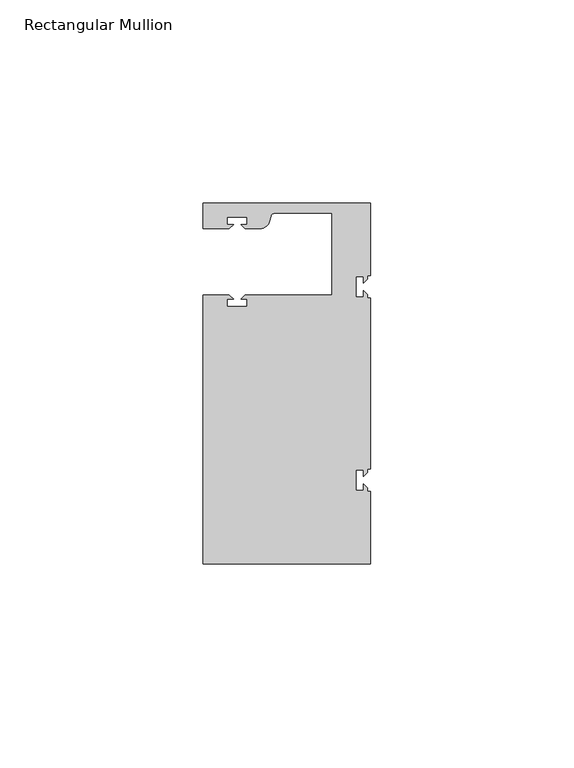
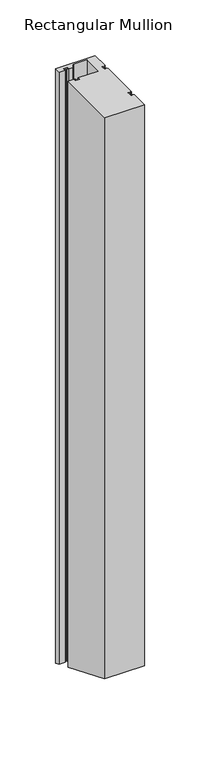
"""IFC4 building model written with IfcOpenShell, lengths in millimetres: member geometry, Rectangular Mullion."""

from ifc_helpers import new_model, si_unit, frame, origin, place, context, project, spatial, polyline, circle_curve, ellipse_curve, source, transform, mapped, element, save
from ifc_brep_helpers import plane_surface, cylinder_surface, revolved_surface, advanced_brep


def rectangular_mullion_aad78f4a(model_context):
    return source(origin(), model_context, "Body", "AdvancedBrep", [
        advanced_brep(
        [(0.0, 44.45, 0.0), (-41.2749977, 44.45, 0.0), (-41.2749977, 38.1499897, 0.0), (-34.8007531, 38.1499897, 0.0), (-33.8007405, 39.1500023, 0.0), (-35.3749778, 39.1500023, 0.0), (-35.3749778, 40.9498819, 0.0), (-30.3749831, 40.9498819, 0.0), (-30.3749831, 39.1500023, 0.0), (-31.949256, 39.1500023, 0.0), (-30.9492503, 38.1499966, 0.0), (-27.2637853, 38.1499966, 0.0), (-24.8489707, 40.002949, 0.0), (-24.5258588, 41.2088192, 0.0), (-23.5599329, 41.9500001, 0.0), (-9.525, 41.95, 0.0), (-9.525, 21.7499959, 0.0), (-30.9492434, 21.7499959, 0.0), (-31.949256, 20.7499834, 0.0), (-30.3750186, 20.7499834, 0.0), (-30.3750186, 18.949936, 0.0), (-35.3750134, 18.949936, 0.0), (-35.3750134, 20.7499834, 0.0), (-33.8007405, 20.7499834, 0.0), (-34.8007562, 21.749999, 0.0), (-41.275, 21.749999, 0.0), (-41.275, -44.45, 0.0), (0.0, -44.45, 0.0), (0.0, -26.5319902, 0.0), (-0.79375, -26.5319902, 0.0), (-0.79375, -25.7382757, 0.0), (-1.7937657, -24.73826, 0.0), (-1.7937657, -26.3124974, 0.0), (-3.5938131, -26.3124974, 0.0), (-3.5938131, -21.3125026, 0.0), (-1.7937657, -21.3125026, 0.0), (-1.7937657, -22.8867755, 0.0), (-0.79375, -21.8867598, 0.0), (-0.79375, -21.0930098, 0.0), (0.0, -21.0930098, 0.0), (0.0, 21.0930098, 0.0), (-0.79375, 21.0930098, 0.0), (-0.79375, 21.8867243, 0.0), (-1.7937657, 22.88674, 0.0), (-1.7937657, 21.3125026, 0.0), (-3.5938131, 21.3125026, 0.0), (-3.5938131, 26.3124974, 0.0), (-1.7937657, 26.3124974, 0.0), (-1.7937657, 24.7382245, 0.0), (-0.79375, 25.7382402, 0.0), (-0.79375, 26.5319902, 0.0), (0.0, 26.5319902, 0.0), (0.0, 44.45, -653.4117928), (-41.2749977, 44.45, -653.4117928), (-41.2749977, 38.1499897, -650.8022431), (-34.8007531, 38.1499897, -650.8022431), (-33.8007405, 39.1500023, -651.2164619), (-35.3749778, 39.1500023, -651.2164619), (-35.3749778, 40.9498819, -651.9619965), (-30.3749831, 40.9498819, -651.9619965), (-30.3749831, 39.1500023, -651.2164619), (-31.949256, 39.1500023, -651.2164619), (-30.9492503, 38.1499966, -650.802246), (-27.2637853, 38.1499966, -650.802246), (-24.8489707, 40.002949, -651.569764), (-24.5258588, 41.2088192, -652.0692518), (-23.5599329, 41.9500001, -652.376259), (-9.525, 41.95, -652.3762589), (-9.525, 21.7499959, -644.0091433), (-30.9492434, 21.7499959, -644.0091433), (-31.949256, 20.7499834, -643.5949245), (-30.3750186, 20.7499834, -643.5949245), (-30.3750186, 18.949936, -642.8493205), (-35.3750134, 18.949936, -642.8493205), (-35.3750134, 20.7499834, -643.5949245), (-33.8007405, 20.7499834, -643.5949245), (-34.8007562, 21.749999, -644.0091446), (-41.275, 21.749999, -644.0091446), (-41.275, -44.45, -616.5882072), (0.0, -44.45, -616.5882072), (0.0, -26.5319902, -624.0100898), (-0.79375, -26.5319902, -624.0100898), (-0.79375, -25.7382757, -624.3388571), (-1.7937657, -24.73826, -624.7530772), (-1.7937657, -26.3124974, -624.1010067), (-3.5938131, -26.3124974, -624.1010067), (-3.5938131, -21.3125026, -626.1720724), (-1.7937657, -21.3125026, -626.1720724), (-1.7937657, -22.8867755, -625.5199872), (-0.79375, -21.8867598, -625.9342072), (-0.79375, -21.0930098, -626.2629893), (0.0, -21.0930098, -626.2629893), (0.0, 21.0930098, -643.7370107), (-0.79375, 21.0930098, -643.7370107), (-0.79375, 21.8867243, -644.065778), (-1.7937657, 22.88674, -644.4799981), (-1.7937657, 21.3125026, -643.8279276), (-3.5938131, 21.3125026, -643.8279276), (-3.5938131, 26.3124974, -645.8989933), (-1.7937657, 26.3124974, -645.8989933), (-1.7937657, 24.7382245, -645.2469081), (-0.79375, 25.7382402, -645.6611282), (-0.79375, 26.5319902, -645.9899102), (0.0, 26.5319902, -645.9899102)],
        [
            (0, 1),
            (1, 2),
            (2, 3),
            (3, 4),
            (4, 5),
            (5, 6),
            (6, 7),
            (7, 8),
            (8, 9),
            (9, 10),
            (10, 11),
            (11, 12, circle_curve(frame((-27.2637853, 40.6499966, 0.0), z_axis=(0.0, 0.0, 1.0), x_axis=(0.0, -1.0, 0.0)), 2.5)),
            (12, 13),
            (13, 14, circle_curve(frame((-23.5599329, 40.9500001, 0.0), z_axis=(0.0, 0.0, -1.0), x_axis=(0.0, -1.0, 0.0)), 1.0)),
            (14, 15),
            (15, 16),
            (16, 17),
            (17, 18),
            (18, 19),
            (19, 20),
            (20, 21),
            (21, 22),
            (22, 23),
            (23, 24),
            (24, 25),
            (25, 26),
            (26, 27),
            (27, 28),
            (28, 29),
            (29, 30),
            (30, 31),
            (31, 32),
            (32, 33),
            (33, 34),
            (34, 35),
            (35, 36),
            (36, 37),
            (37, 38),
            (38, 39),
            (39, 40),
            (40, 41),
            (41, 42),
            (42, 43),
            (43, 44),
            (44, 45),
            (45, 46),
            (46, 47),
            (47, 48),
            (48, 49),
            (49, 50),
            (50, 51),
            (51, 0),
            (0, 52),
            (52, 53),
            (53, 1),
            (53, 54),
            (54, 2),
            (54, 55),
            (55, 3),
            (55, 56),
            (56, 4),
            (56, 57),
            (57, 5),
            (57, 58),
            (58, 6),
            (58, 59),
            (59, 7),
            (59, 60),
            (60, 8),
            (60, 61),
            (61, 9),
            (61, 62),
            (62, 10),
            (62, 63),
            (63, 11),
            (63, 64, ellipse_curve(frame((-27.2637853, 40.6499966, -651.8377799), z_axis=(0.0, 0.38268343236509095, 0.9238795325112864), x_axis=(0.0, -0.9238795325112866, 0.3826834323650903)), 2.7059805, 2.5)),
            (64, 12),
            (64, 65),
            (65, 13),
            (65, 66, ellipse_curve(frame((-23.5599329, 40.9500001, -651.9620454), z_axis=(0.0, -0.38268343236509095, -0.9238795325112864), x_axis=(0.0, 0.9238795325112866, -0.3826834323650903)), 1.0823922, 1.0)),
            (66, 14),
            (66, 67),
            (67, 15),
            (67, 68),
            (68, 16),
            (68, 69),
            (69, 17),
            (69, 70),
            (70, 18),
            (70, 71),
            (71, 19),
            (71, 72),
            (72, 20),
            (72, 73),
            (73, 21),
            (73, 74),
            (74, 22),
            (74, 75),
            (75, 23),
            (75, 76),
            (76, 24),
            (76, 77),
            (77, 25),
            (77, 78),
            (78, 26),
            (78, 79),
            (79, 27),
            (79, 80),
            (80, 28),
            (80, 81),
            (81, 29),
            (81, 82),
            (82, 30),
            (82, 83),
            (83, 31),
            (83, 84),
            (84, 32),
            (84, 85),
            (85, 33),
            (85, 86),
            (86, 34),
            (86, 87),
            (87, 35),
            (87, 88),
            (88, 36),
            (88, 89),
            (89, 37),
            (89, 90),
            (90, 38),
            (90, 91),
            (91, 39),
            (91, 92),
            (92, 40),
            (92, 93),
            (93, 41),
            (93, 94),
            (94, 42),
            (94, 95),
            (95, 43),
            (95, 96),
            (96, 44),
            (96, 97),
            (97, 45),
            (97, 98),
            (98, 46),
            (98, 99),
            (99, 47),
            (99, 100),
            (100, 48),
            (100, 101),
            (101, 49),
            (101, 102),
            (102, 50),
            (102, 103),
            (103, 51),
            (103, 52),
        ],
        [
            plane_surface(frame((0.0, -60.6582898, 0.0), z_axis=(0.0, 0.0, 1.0), x_axis=(-1.0, 0.0, 0.0))),
            plane_surface(frame((0.0, 44.45, 0.0), z_axis=(0.0, 1.0, 0.0), x_axis=(0.0, 0.0, -1.0))),
            plane_surface(frame((-41.2749977, 44.45, 0.0), z_axis=(-1.0, 0.0, 0.0), x_axis=(0.0, 0.0, -1.0))),
            plane_surface(frame((-41.2749977, 38.1499897, 0.0), z_axis=(0.0, -1.0, 0.0), x_axis=(0.0, 0.0, -1.0))),
            plane_surface(frame((-34.8007531, 38.1499897, 0.0), z_axis=(0.7071067811865492, -0.7071067811865459, 0.0), x_axis=(0.0, 0.0, -1.0))),
            plane_surface(frame((-33.8007405, 39.1500023, 0.0), z_axis=(0.0, 1.0, 0.0), x_axis=(0.0, 0.0, -1.0))),
            plane_surface(frame((-35.3749778, 39.1500023, 0.0), z_axis=(1.0, 0.0, 0.0), x_axis=(0.0, 0.0, -1.0))),
            plane_surface(frame((-35.3749778, 40.9498819, 0.0), z_axis=(0.0, -1.0, 0.0), x_axis=(0.0, 0.0, -1.0))),
            plane_surface(frame((-30.3749831, 40.9498819, 0.0), z_axis=(-1.0, 0.0, 0.0), x_axis=(0.0, 0.0, -1.0))),
            plane_surface(frame((-30.3749831, 39.1500023, 0.0), z_axis=(0.0, 1.0, 0.0), x_axis=(0.0, 0.0, -1.0))),
            plane_surface(frame((-31.949256, 39.1500023, 0.0), z_axis=(-0.7071067811865469, -0.7071067811865481, 0.0), x_axis=(0.0, 0.0, -1.0))),
            plane_surface(frame((-30.9492503, 38.1499966, 0.0), z_axis=(0.0, -1.0, 0.0), x_axis=(0.0, 0.0, -1.0))),
            cylinder_surface(frame((-27.2637853, 40.6499966, 0.0), z_axis=(0.0, 0.0, 1.0), x_axis=(0.0, -1.0, 0.0)), 2.5),
            plane_surface(frame((-24.8489707, 40.002949, 0.0), z_axis=(0.965925826289163, -0.2588190451021675, 0.0), x_axis=(0.0, 0.0, -1.0))),
            revolved_surface(polyline([(-23.5599329, 39.9500001, -652.376259), (-23.5599329, 39.9500001, 0.0)]), (-23.5599329, 40.9500001, 0.0), (0.0, 0.0, -1.0)),
            plane_surface(frame((-23.5599329, 41.95, 0.0), z_axis=(0.0, -1.0, 0.0), x_axis=(0.0, 0.0, -1.0))),
            plane_surface(frame((-9.525, 41.95, 0.0), z_axis=(-1.0, 0.0, 0.0), x_axis=(0.0, 0.0, -1.0))),
            plane_surface(frame((-9.525, 21.7499959, 0.0), z_axis=(0.0, 1.0, 0.0), x_axis=(0.0, 0.0, -1.0))),
            plane_surface(frame((-30.9492434, 21.7499959, 0.0), z_axis=(-0.7071067811865492, 0.7071067811865459, 0.0), x_axis=(0.0, 0.0, -1.0))),
            plane_surface(frame((-31.949256, 20.7499834, 0.0), z_axis=(0.0, -1.0, 0.0), x_axis=(0.0, 0.0, -1.0))),
            plane_surface(frame((-30.3750186, 20.7499834, 0.0), z_axis=(-1.0, 0.0, 0.0), x_axis=(0.0, 0.0, -1.0))),
            plane_surface(frame((-30.3750186, 18.949936, 0.0), z_axis=(0.0, 1.0, 0.0), x_axis=(0.0, 0.0, -1.0))),
            plane_surface(frame((-35.3750134, 18.949936, 0.0), z_axis=(1.0, 0.0, 0.0), x_axis=(0.0, 0.0, -1.0))),
            plane_surface(frame((-35.3750134, 20.7499834, 0.0), z_axis=(0.0, -1.0, 0.0), x_axis=(0.0, 0.0, -1.0))),
            plane_surface(frame((-33.8007405, 20.7499834, 0.0), z_axis=(0.7071067811865472, 0.7071067811865479, 0.0), x_axis=(0.0, 0.0, -1.0))),
            plane_surface(frame((-34.8007562, 21.749999, 0.0), z_axis=(0.0, 1.0, 0.0), x_axis=(0.0, 0.0, -1.0))),
            plane_surface(frame((-41.275, 21.749999, 0.0), z_axis=(-1.0, 0.0, 0.0), x_axis=(0.0, 0.0, -1.0))),
            plane_surface(frame((-41.275, -44.45, 0.0), z_axis=(0.0, -1.0, 0.0), x_axis=(0.0, 0.0, -1.0))),
            plane_surface(frame((0.0, -44.45, 0.0), z_axis=(1.0, 0.0, 0.0), x_axis=(0.0, 0.0, -1.0))),
            plane_surface(frame((0.0, -26.5319902, 0.0), z_axis=(0.0, 1.0, 0.0), x_axis=(0.0, 0.0, -1.0))),
            plane_surface(frame((-0.79375, -26.5319902, 0.0), z_axis=(1.0, 0.0, 0.0), x_axis=(0.0, 0.0, -1.0))),
            plane_surface(frame((-0.79375, -25.7382757, 0.0), z_axis=(0.7071067811865416, 0.7071067811865536, 0.0), x_axis=(0.0, 0.0, -1.0))),
            plane_surface(frame((-1.7937657, -24.73826, 0.0), z_axis=(-1.0, 0.0, 0.0), x_axis=(0.0, 0.0, -1.0))),
            plane_surface(frame((-1.7937657, -26.3124974, 0.0), z_axis=(0.0, 1.0, 0.0), x_axis=(0.0, 0.0, -1.0))),
            plane_surface(frame((-3.5938131, -26.3124974, 0.0), z_axis=(1.0, 0.0, 0.0), x_axis=(0.0, 0.0, -1.0))),
            plane_surface(frame((-3.5938131, -21.3125026, 0.0), z_axis=(0.0, -1.0, 0.0), x_axis=(0.0, 0.0, -1.0))),
            plane_surface(frame((-1.7937657, -21.3125026, 0.0), z_axis=(-1.0, 0.0, 0.0), x_axis=(0.0, 0.0, -1.0))),
            plane_surface(frame((-1.7937657, -22.8867755, 0.0), z_axis=(0.7071067811865522, -0.7071067811865429, 0.0), x_axis=(0.0, 0.0, -1.0))),
            plane_surface(frame((-0.79375, -21.8867598, 0.0), z_axis=(1.0, 0.0, 0.0), x_axis=(0.0, 0.0, -1.0))),
            plane_surface(frame((-0.79375, -21.0930098, 0.0), z_axis=(0.0, -1.0, 0.0), x_axis=(0.0, 0.0, -1.0))),
            plane_surface(frame((0.0, -21.0930098, 0.0), z_axis=(1.0, 0.0, 0.0), x_axis=(0.0, 0.0, -1.0))),
            plane_surface(frame((0.0, 21.0930098, 0.0), z_axis=(0.0, 1.0, 0.0), x_axis=(0.0, 0.0, -1.0))),
            plane_surface(frame((-0.79375, 21.0930098, 0.0), z_axis=(1.0, 0.0, 0.0), x_axis=(0.0, 0.0, -1.0))),
            plane_surface(frame((-0.79375, 21.8867243, 0.0), z_axis=(0.7071067811865416, 0.7071067811865536, 0.0), x_axis=(0.0, 0.0, -1.0))),
            plane_surface(frame((-1.7937657, 22.88674, 0.0), z_axis=(-1.0, 0.0, 0.0), x_axis=(0.0, 0.0, -1.0))),
            plane_surface(frame((-1.7937657, 21.3125026, 0.0), z_axis=(0.0, 1.0, 0.0), x_axis=(0.0, 0.0, -1.0))),
            plane_surface(frame((-3.5938131, 21.3125026, 0.0), z_axis=(1.0, 0.0, 0.0), x_axis=(0.0, 0.0, -1.0))),
            plane_surface(frame((-3.5938131, 26.3124974, 0.0), z_axis=(0.0, -1.0, 0.0), x_axis=(0.0, 0.0, -1.0))),
            plane_surface(frame((-1.7937657, 26.3124974, 0.0), z_axis=(-1.0, 0.0, 0.0), x_axis=(0.0, 0.0, -1.0))),
            plane_surface(frame((-1.7937657, 24.7382245, 0.0), z_axis=(0.7071067811865522, -0.7071067811865429, 0.0), x_axis=(0.0, 0.0, -1.0))),
            plane_surface(frame((-0.79375, 25.7382402, 0.0), z_axis=(1.0, 0.0, 0.0), x_axis=(0.0, 0.0, -1.0))),
            plane_surface(frame((-0.79375, 26.5319902, 0.0), z_axis=(0.0, -1.0, 0.0), x_axis=(0.0, 0.0, -1.0))),
            plane_surface(frame((0.0, 26.5319902, 0.0), z_axis=(1.0, 0.0, 0.0), x_axis=(0.0, 0.0, -1.0))),
            plane_surface(frame((304.8, 0.0, -635.0), z_axis=(0.0, -0.38268343236509095, -0.9238795325112864), x_axis=(0.0, -0.9238795325112864, 0.38268343236509095))),
        ],
        [
            (0, [[1, 2, 3, 4, 5, 6, 7, 8, 9, 10, 11, 12, 13, 14, 15, 16, 17, 18, 19, 20, 21, 22, 23, 24, 25, 26, 27, 28, 29, 30, 31, 32, 33, 34, 35, 36, 37, 38, 39, 40, 41, 42, 43, 44, 45, 46, 47, 48, 49, 50, 51, 52]]),
            (1, [[-1, 53, 54, 55]]),
            (2, [[-2, -55, 56, 57]]),
            (3, [[-3, -57, 58, 59]]),
            (4, [[-4, -59, 60, 61]]),
            (5, [[-5, -61, 62, 63]]),
            (6, [[-6, -63, 64, 65]]),
            (7, [[-7, -65, 66, 67]]),
            (8, [[-8, -67, 68, 69]]),
            (9, [[-9, -69, 70, 71]]),
            (10, [[-10, -71, 72, 73]]),
            (11, [[-11, -73, 74, 75]]),
            (12, [[-12, -75, 76, 77]]),
            (13, [[-13, -77, 78, 79]]),
            (14, [[-14, -79, 80, 81]]),
            (15, [[-15, -81, 82, 83]]),
            (16, [[-16, -83, 84, 85]]),
            (17, [[-17, -85, 86, 87]]),
            (18, [[-18, -87, 88, 89]]),
            (19, [[-19, -89, 90, 91]]),
            (20, [[-20, -91, 92, 93]]),
            (21, [[-21, -93, 94, 95]]),
            (22, [[-22, -95, 96, 97]]),
            (23, [[-23, -97, 98, 99]]),
            (24, [[-24, -99, 100, 101]]),
            (25, [[-25, -101, 102, 103]]),
            (26, [[-26, -103, 104, 105]]),
            (27, [[-27, -105, 106, 107]]),
            (28, [[-28, -107, 108, 109]]),
            (29, [[-29, -109, 110, 111]]),
            (30, [[-30, -111, 112, 113]]),
            (31, [[-31, -113, 114, 115]]),
            (32, [[-32, -115, 116, 117]]),
            (33, [[-33, -117, 118, 119]]),
            (34, [[-34, -119, 120, 121]]),
            (35, [[-35, -121, 122, 123]]),
            (36, [[-36, -123, 124, 125]]),
            (37, [[-37, -125, 126, 127]]),
            (38, [[-38, -127, 128, 129]]),
            (39, [[-39, -129, 130, 131]]),
            (40, [[-40, -131, 132, 133]]),
            (41, [[-41, -133, 134, 135]]),
            (42, [[-42, -135, 136, 137]]),
            (43, [[-43, -137, 138, 139]]),
            (44, [[-44, -139, 140, 141]]),
            (45, [[-45, -141, 142, 143]]),
            (46, [[-46, -143, 144, 145]]),
            (47, [[-47, -145, 146, 147]]),
            (48, [[-48, -147, 148, 149]]),
            (49, [[-49, -149, 150, 151]]),
            (50, [[-50, -151, 152, 153]]),
            (51, [[-51, -153, 154, 155]]),
            (52, [[-52, -155, 156, -53]]),
            (53, [[-156, -154, -152, -150, -148, -146, -144, -142, -140, -138, -136, -134, -132, -130, -128, -126, -124, -122, -120, -118, -116, -114, -112, -110, -108, -106, -104, -102, -100, -98, -96, -94, -92, -90, -88, -86, -84, -82, -80, -78, -76, -74, -72, -70, -68, -66, -64, -62, -60, -58, -56, -54]]),
        ],
    ),
    ])


if __name__ == "__main__":
    model = new_model("IFC4")
    model_context = context("Model", 3, world=origin())
    ifc_project = project(units=[si_unit("LENGTHUNIT", "METRE", prefix="MILLI")], contexts=[model_context])
    site = spatial("IfcSite", under=ifc_project)
    building = spatial("IfcBuilding", under=site)
    placement = place(None, origin())
    rectangular_mullion_shape = rectangular_mullion_aad78f4a(model_context)
    element("IfcMember", 1, ObjectType="Rectangular Mullion", at=placement, inside=building, context=model_context, shape_type="MappedRepresentation", body=[
        mapped(rectangular_mullion_shape, transform((0.0, 0.0, 0.0), x_axis=(1.0, 0.0, 0.0), y_axis=(0.0, 1.0, 0.0), z_axis=(0.0, 0.0, 1.0))),
    ])
    save(model, "model.ifc")
